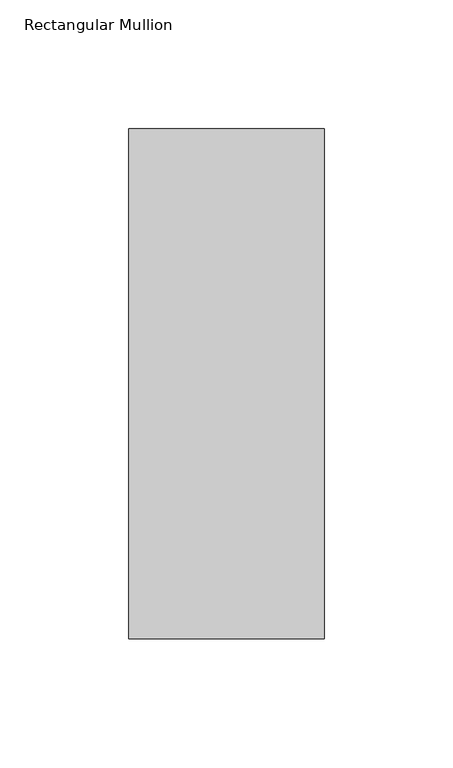
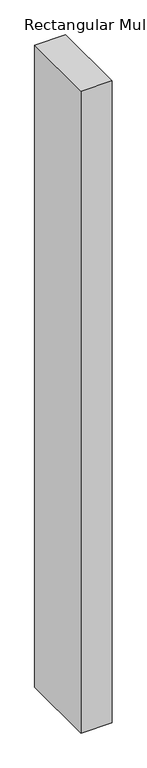
"""IFC4 building model written with IfcOpenShell, lengths in millimetres: member geometry, Rectangular Mullion."""

from ifc_helpers import new_model, si_unit, frame, origin, place, context, project, spatial, polyline, outline, extrude, source, transform, mapped, element, save


def rectangular_mullion_687dc348(model_context):
    return source(origin(), model_context, "Body", "SweptSolid", [
        extrude(outline(polyline([(38.1, -156.36875), (-38.1, -156.36875), (-38.1, 42.06875), (38.1, 42.06875), (38.1, -156.36875)])), frame((0.0, 0.0, -1676.4), z_axis=(0.0, 0.0, 1.0), x_axis=(1.0, 0.0, 0.0)), (0.0, 0.0, 1.0), 1676.4),
    ])


if __name__ == "__main__":
    model = new_model("IFC4")
    model_context = context("Model", 3, world=origin())
    ifc_project = project(units=[si_unit("LENGTHUNIT", "METRE", prefix="MILLI")], contexts=[model_context])
    site = spatial("IfcSite", under=ifc_project)
    building = spatial("IfcBuilding", under=site)
    placement = place(None, origin())
    rectangular_mullion_shape = rectangular_mullion_687dc348(model_context)
    element("IfcMember", 1, ObjectType="Rectangular Mullion", at=placement, inside=building, context=model_context, shape_type="MappedRepresentation", body=[
        mapped(rectangular_mullion_shape, transform((0.0, 0.0, 0.0), x_axis=(1.0, 0.0, 0.0), y_axis=(0.0, 1.0, 0.0), z_axis=(0.0, 0.0, 1.0))),
    ])
    save(model, "model.ifc")
